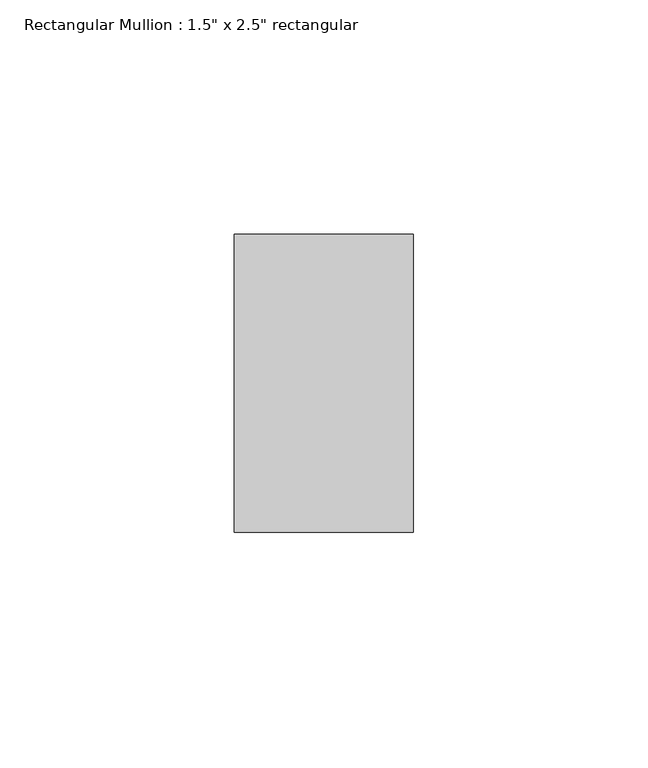
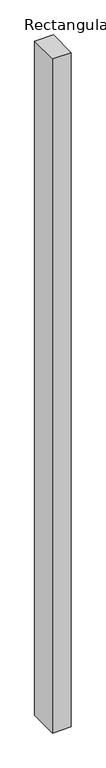
"""IFC4 building model written with IfcOpenShell, lengths in millimetres: member geometry."""

from ifc_helpers import new_model, si_unit, frame, origin, place, context, project, spatial, polyline, outline, extrude, source, transform, mapped, element, save


def member_49d9a3f0(model_context):
    return source(origin(), model_context, "Body", "SweptSolid", [
        extrude(outline(polyline([(19.05, -19.05), (19.05, -82.55), (-19.05, -82.55), (-19.05, -19.05), (19.05, -19.05)])), frame((0.0, 0.0, -1460.5), z_axis=(0.0, 0.0, 1.0), x_axis=(1.0, 0.0, 0.0)), (0.0, 0.0, 1.0), 1460.5),
    ])


if __name__ == "__main__":
    model = new_model("IFC4")
    model_context = context("Model", 3, world=origin())
    ifc_project = project(units=[si_unit("LENGTHUNIT", "METRE", prefix="MILLI")], contexts=[model_context])
    site = spatial("IfcSite", under=ifc_project)
    building = spatial("IfcBuilding", under=site)
    placement = place(None, origin())
    member_shape = member_49d9a3f0(model_context)
    element("IfcMember", 1, ObjectType="Rectangular Mullion : 1.5\" x 2.5\" rectangular", at=placement, inside=building, context=model_context, shape_type="MappedRepresentation", body=[
        mapped(member_shape, transform((0.0, 0.0, 0.0), x_axis=(1.0, 0.0, 0.0), y_axis=(0.0, 1.0, 0.0), z_axis=(0.0, 0.0, 1.0))),
    ])
    save(model, "model.ifc")
